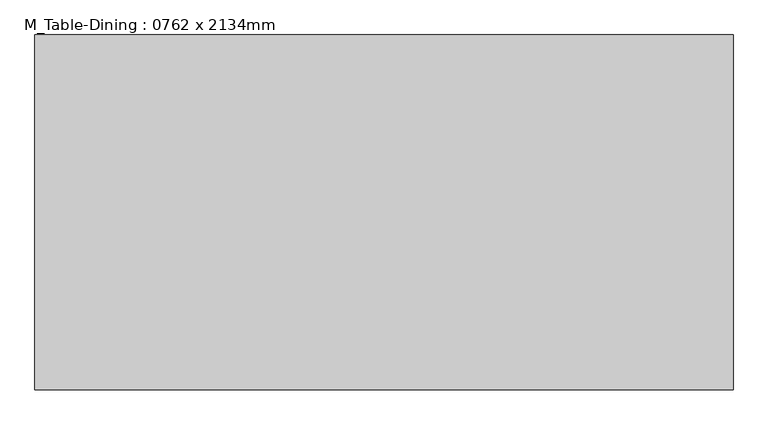
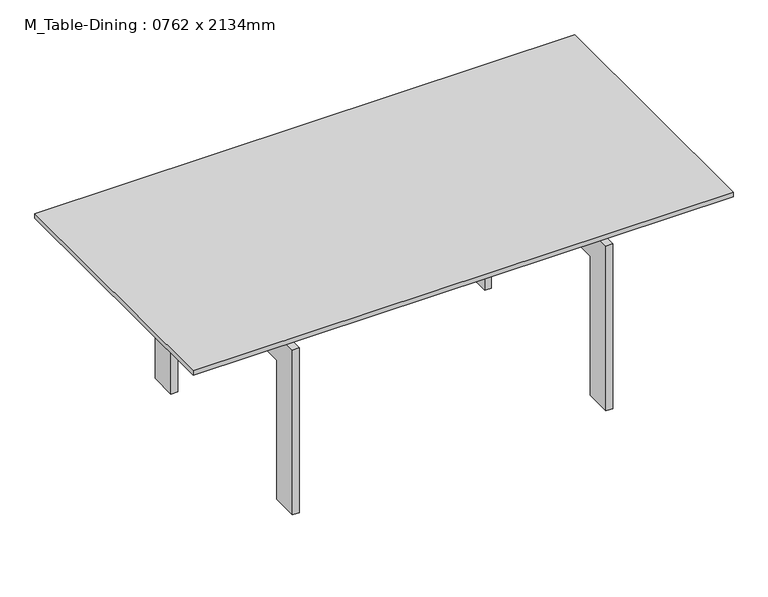
"""IFC4 building model written with IfcOpenShell, lengths in millimetres: furniture geometry, M_Table-Dining : 0762 x 2134mm."""

from ifc_helpers import new_model, si_unit, frame, origin, place, context, project, spatial, polyline, outline, extrude, source, transform, mapped, element, save


def m_table_dining_0762_x_2134mm_43903481(model_context):
    return source(origin(), model_context, "Body", "SweptSolid", [
        extrude(outline(polyline([(666.6657667, 297.7823857), (666.6657667, 272.3823857), (-630.1342333, 272.3823857), (-630.1342333, 297.7823857), (666.6657667, 297.7823857)])), frame((0.0, 0.0, 483.8), z_axis=(0.0, 0.0, 1.0), x_axis=(1.0, 0.0, 0.0)), (0.0, 0.0, 1.0), 63.5),
        extrude(outline(polyline([(666.6657667, -82.5889222), (666.6657667, -107.9889222), (-630.1342333, -107.9889222), (-630.1342333, -82.5889222), (666.6657667, -82.5889222)])), frame((0.0, 0.0, 483.8), z_axis=(0.0, 0.0, 1.0), x_axis=(1.0, 0.0, 0.0)), (0.0, 0.0, 1.0), 63.5),
        extrude(outline(polyline([(425.4110778, 0.0), (349.2110778, 0.0), (349.2110778, 407.6), (-158.7889222, 407.6), (-158.7889222, 0.0), (-234.9889222, 0.0), (-234.9889222, 483.8), (425.4110778, 483.8), (425.4110778, 0.0)])), frame((444.4157667, 0.0, 0.0), z_axis=(1.0, 0.0, 0.0), x_axis=(0.0, 1.0, 0.0)), (0.0, 0.0, 1.0), 19.05),
        extrude(outline(polyline([(425.4110778, 483.8), (425.4110778, 0.0), (349.2110778, 0.0), (349.2110778, 407.6), (-158.7889222, 407.6), (-158.7889222, 0.0), (-234.9889222, 0.0), (-234.9889222, 483.8), (425.4110778, 483.8)])), frame((-426.9342333, 0.0, 0.0), z_axis=(1.0, 0.0, 0.0), x_axis=(0.0, 1.0, 0.0)), (0.0, 0.0, 1.0), 19.05),
        extrude(outline(polyline([(768.2657667, 476.2110778), (768.2657667, -285.7889222), (-731.7342333, -285.7889222), (-731.7342333, 476.2110778), (768.2657667, 476.2110778)])), frame((0.0, 0.0, 547.3), z_axis=(0.0, 0.0, 1.0), x_axis=(1.0, 0.0, 0.0)), (0.0, 0.0, 1.0), 12.7),
    ])


if __name__ == "__main__":
    model = new_model("IFC4")
    model_context = context("Model", 3, world=origin())
    ifc_project = project(units=[si_unit("LENGTHUNIT", "METRE", prefix="MILLI")], contexts=[model_context])
    site = spatial("IfcSite", under=ifc_project)
    building = spatial("IfcBuilding", under=site)
    placement = place(None, origin())
    m_table_dining_0762_x_2134mm_shape = m_table_dining_0762_x_2134mm_43903481(model_context)
    element("IfcFurniture", 1, ObjectType="M_Table-Dining : 0762 x 2134mm", at=placement, inside=building, context=model_context, shape_type="MappedRepresentation", body=[
        mapped(m_table_dining_0762_x_2134mm_shape, transform((0.0, 0.0, 0.0), x_axis=(1.0, 0.0, 0.0), y_axis=(0.0, 1.0, 0.0), z_axis=(0.0, 0.0, 1.0))),
    ])
    save(model, "model.ifc")
